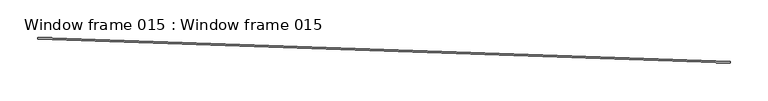
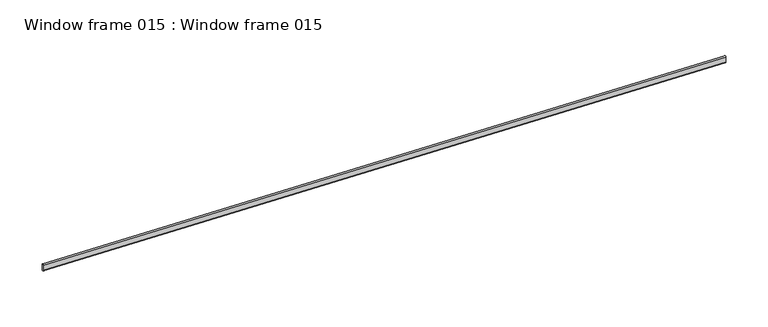
"""IFC4 building model written with IfcOpenShell, lengths in millimetres: proxy geometry, Window frame 015 : Window frame 015."""

import ifcopenshell
import ifcopenshell.guid

model = None  # the IFC model being written
_history = None  # IfcOwnerHistory: only IFC2X3 demands one
_inside = {}  # id of a spatial element -> (the spatial element, [elements in it])
_under = {}  # id of a project, library or spatial element -> (it, [spatial elements below it])
_declared = {}  # id of a project -> (the project, [libraries it declares])
_typed = {}  # id of a type object -> (the type object, [elements of that type])
_made_of = {}  # id of a material, layer set ... -> (it, [elements and type objects made of it])


def new_model(schema):
    """Start an empty IFC model of exactly this schema.

    Asked for "IFC4X3", IfcOpenShell would pick the latest addendum, in which some entities
    have other attributes; the version numbers below select the first issue.
    IFC2X3 requires an IfcOwnerHistory on every rooted entity: one is made here for all.
    """
    global model, _history
    if schema == "IFC4X3":
        model = ifcopenshell.file(schema_version=(4, 3, 0, 0))
    else:
        model = ifcopenshell.file(schema=schema)
    _inside.clear()
    _under.clear()
    _declared.clear()
    _typed.clear()
    _made_of.clear()
    _history = None
    if model.schema == "IFC2X3":
        org = make("IfcOrganization", Name="unknown")
        user = make(
            "IfcPersonAndOrganization",
            ThePerson=make("IfcPerson", FamilyName="unknown"),
            TheOrganization=org,
        )
        app = make(
            "IfcApplication",
            ApplicationDeveloper=org,
            Version="unknown",
            ApplicationFullName="unknown",
            ApplicationIdentifier="unknown",
        )
        _history = make(
            "IfcOwnerHistory",
            OwningUser=user,
            OwningApplication=app,
            ChangeAction="ADDED",
            CreationDate=0,
        )
    return model


def make(cls, **values):
    """One entity of the class cls with the attributes given. An attribute that is None is left unset."""
    return model.create_entity(
        cls, **{name: value for name, value in values.items() if value is not None}
    )


def rooted(cls, **values):
    """An entity with a GlobalId (a new one), such as an element, a storey or a relation."""
    return make(cls, GlobalId=ifcopenshell.guid.new(), OwnerHistory=_history, **values)


def si_unit(unit_type, name, prefix=None):
    """IfcSIUnit, for example si_unit("LENGTHUNIT", "METRE", prefix="MILLI")."""
    return make("IfcSIUnit", UnitType=unit_type, Prefix=prefix, Name=name)


def assignment(units):
    """IfcUnitAssignment: the units of a project."""
    return None if units is None else make("IfcUnitAssignment", Units=units)


def point(xyz):
    """IfcCartesianPoint."""
    return None if xyz is None else make("IfcCartesianPoint", Coordinates=xyz)


def direction(xyz):
    """IfcDirection."""
    return None if xyz is None else make("IfcDirection", DirectionRatios=xyz)


def frame(location, z_axis=None, x_axis=None):
    """IfcAxis2Placement3D, a coordinate frame: its origin and axes. An axis left out is left unset."""
    return make(
        "IfcAxis2Placement3D",
        Location=point(location),
        Axis=direction(z_axis),
        RefDirection=direction(x_axis),
    )


def frame_2d(location, x_axis=None):
    """IfcAxis2Placement2D, a coordinate frame in the plane: its origin and x axis."""
    return make(
        "IfcAxis2Placement2D", Location=point(location), RefDirection=direction(x_axis)
    )


def origin():
    """The frame at (0, 0, 0) with its axes left unset."""
    return frame((0.0, 0.0, 0.0))


def place(relative_to, where):
    """IfcLocalPlacement: puts the frame where relative to a parent placement (None: the world)."""
    return make(
        "IfcLocalPlacement", PlacementRelTo=relative_to, RelativePlacement=where
    )


def context(
    kind, dimensions, precision=None, world=None, true_north=None, identifier=None
):
    """IfcGeometricRepresentationContext, for example the 3D "Model" context."""
    return make(
        "IfcGeometricRepresentationContext",
        ContextIdentifier=identifier,
        ContextType=kind,
        CoordinateSpaceDimension=dimensions,
        Precision=precision,
        WorldCoordinateSystem=world,
        TrueNorth=true_north,
    )


def project(units=None, contexts=None):
    """IfcProject with its units and contexts."""
    return rooted(
        "IfcProject",
        Name="project",
        RepresentationContexts=contexts,
        UnitsInContext=assignment(units),
    )


def spatial(cls, under=None, at=None, **own):
    """A site, building, storey or space (cls), placed at a placement, below another one or the project."""
    s = rooted(cls, ObjectPlacement=at, **own)
    if under is not None:
        _under.setdefault(under.id(), (under, []))[1].append(s)
    return s


def polyline(points):
    """IfcPolyline through the points."""
    return make("IfcPolyline", Points=[point(p) for p in points])


def circle_curve(where, radius):
    """IfcCircle in the frame where."""
    return make("IfcCircle", Position=where, Radius=radius)


def trimmed(basis, trim1, trim2, sense, master):
    """IfcTrimmedCurve: the piece of a basis curve between two trims."""
    return make(
        "IfcTrimmedCurve",
        BasisCurve=basis,
        Trim1=trim1,
        Trim2=trim2,
        SenseAgreement=sense,
        MasterRepresentation=master,
    )


def segment(curve, same_sense, transition):
    """IfcCompositeCurveSegment."""
    return make(
        "IfcCompositeCurveSegment",
        Transition=transition,
        SameSense=same_sense,
        ParentCurve=curve,
    )


def composite_curve(segments, self_intersect=None):
    """IfcCompositeCurve: segments joined end to end."""
    return make("IfcCompositeCurve", Segments=segments, SelfIntersect=self_intersect)


def outline(outer, holes=None, kind="AREA"):
    """IfcArbitraryClosedProfileDef: a profile drawn as a closed curve; with holes, ...WithVoids."""
    if holes is None:
        return make("IfcArbitraryClosedProfileDef", ProfileType=kind, OuterCurve=outer)
    return make(
        "IfcArbitraryProfileDefWithVoids",
        ProfileType=kind,
        OuterCurve=outer,
        InnerCurves=holes,
    )


def extrude(swept, where, along, depth):
    """IfcExtrudedAreaSolid: the profile swept, set in the frame where, extruded along a direction by depth."""
    return make(
        "IfcExtrudedAreaSolid",
        SweptArea=swept,
        Position=where,
        ExtrudedDirection=direction(along),
        Depth=depth,
    )


def shape(context_of_items, identifier, shape_type, items):
    """IfcShapeRepresentation: the items that make up one representation, for example the "Body"."""
    return make(
        "IfcShapeRepresentation",
        ContextOfItems=context_of_items,
        RepresentationIdentifier=identifier,
        RepresentationType=shape_type,
        Items=items,
    )


def source(mapping_origin, context_of_items, identifier, shape_type, items):
    """IfcRepresentationMap: a shape defined once, which mapped items show again and again."""
    return make(
        "IfcRepresentationMap",
        MappingOrigin=mapping_origin,
        MappedRepresentation=shape(context_of_items, identifier, shape_type, items),
    )


def transform(
    local_origin,
    x_axis=None,
    y_axis=None,
    z_axis=None,
    scale=None,
    scale2=None,
    scale3=None,
    uniform=True,
):
    """IfcCartesianTransformationOperator3D, or its non-uniform kind. x_axis, y_axis, z_axis: its Axis1, 2, 3."""
    if uniform:
        return make(
            "IfcCartesianTransformationOperator3D",
            Axis1=direction(x_axis),
            Axis2=direction(y_axis),
            LocalOrigin=point(local_origin),
            Scale=scale,
            Axis3=direction(z_axis),
        )
    return make(
        "IfcCartesianTransformationOperator3DnonUniform",
        Axis1=direction(x_axis),
        Axis2=direction(y_axis),
        LocalOrigin=point(local_origin),
        Scale=scale,
        Axis3=direction(z_axis),
        Scale2=scale2,
        Scale3=scale3,
    )


def mapped(mapping_source, mapping_target):
    """IfcMappedItem: shows the shape of a source again, moved by a transform."""
    return make(
        "IfcMappedItem", MappingSource=mapping_source, MappingTarget=mapping_target
    )


def made_of(thing, what):
    """Note that an element or type object is made of a material, layer set ...; save() writes the relation."""
    if what is not None:
        _made_of.setdefault(what.id(), (what, []))[1].append(thing)
    return thing


def element(
    cls,
    number,
    at=None,
    inside=None,
    cuts=None,
    type_object=None,
    material=None,
    context=None,
    identifier="Body",
    shape_type=None,
    held_by="IfcProductDefinitionShape",
    body=None,
    shapes=None,
    **own,
):
    """One element of the class cls, such as IfcWall. Its Tag is "e" and its number.

    at: its placement. inside: the storey or other place that contains it. cuts: it is an
    opening in that element (IfcRelVoidsElement). A single representation is given by context,
    identifier, shape_type and body (its items); several are given by shapes. held_by: the class
    of the entity that holds the representations. save() writes the other relations.
    """
    e = rooted(cls, Tag="e%d" % number, ObjectPlacement=at, **own)
    if body is not None:
        shapes = [shape(context, identifier, shape_type, body)]
    if shapes is not None:
        e.Representation = make(held_by, Representations=shapes)
    if inside is not None:
        _inside.setdefault(inside.id(), (inside, []))[1].append(e)
    if cuts is not None:
        rooted(
            "IfcRelVoidsElement", RelatingBuildingElement=cuts, RelatedOpeningElement=e
        )
    if type_object is not None:
        _typed.setdefault(type_object.id(), (type_object, []))[1].append(e)
    return made_of(e, material)


def aggregate(whole, parts):
    """IfcRelAggregates: a whole, such as a stair, and the parts it consists of."""
    return rooted("IfcRelAggregates", RelatingObject=whole, RelatedObjects=parts)


def save(model, path):
    """Write the relations noted so far, then the file.

    IfcRelAggregates (storeys below a building ...), IfcRelContainedInSpatialStructure (elements
    in a storey), IfcRelDefinesByType, IfcRelAssociatesMaterial and IfcRelDeclares: one each for
    every whole, place, type object, material and project.
    """
    for whole, parts in _under.values():
        aggregate(whole, parts)
    for where, things in _inside.values():
        rooted(
            "IfcRelContainedInSpatialStructure",
            RelatedElements=things,
            RelatingStructure=where,
        )
    for kind, things in _typed.values():
        rooted("IfcRelDefinesByType", RelatedObjects=things, RelatingType=kind)
    for what, things in _made_of.values():
        rooted("IfcRelAssociatesMaterial", RelatedObjects=things, RelatingMaterial=what)
    for by, libraries in _declared.values():
        rooted("IfcRelDeclares", RelatingContext=by, RelatedDefinitions=libraries)
    model.write(path)


def window_frame_015_window_frame_015_e79017ac(model_context):
    return source(origin(), model_context, "Body", "SweptSolid", [
        extrude(outline(composite_curve([segment(trimmed(circle_curve(frame_2d((0.0, -1.04648)), 1.04648), [point((0.0, 0.0))], [point((0.0, -2.09296))], False, "CARTESIAN"), True, "CONTINUOUS"), segment(polyline([(0.0, -2.09296), (-7.81304, -2.09296)]), True, "CONTINUOUS"), segment(trimmed(circle_curve(frame_2d((-7.81304, -1.04648)), 1.04648), [point((-7.81304, -2.09296))], [point((-7.81304, 0.0))], False, "CARTESIAN"), True, "CONTINUOUS"), segment(polyline([(-7.81304, 0.0), (0.0, 0.0)]), True, "CONTINUOUS")], self_intersect=False)), frame((34355.1136768, -15464.0622403, 2868.9506753), z_axis=(-0.9994149479167626, 0.03420178183274674, 0.0), x_axis=(0.0, 0.0, -1.0)), (0.0, 0.0, 1.0), 914.4),
    ])


if __name__ == "__main__":
    model = new_model("IFC4")
    model_context = context("Model", 3, world=origin())
    ifc_project = project(units=[si_unit("LENGTHUNIT", "METRE", prefix="MILLI")], contexts=[model_context])
    site = spatial("IfcSite", under=ifc_project)
    building = spatial("IfcBuilding", under=site)
    placement = place(None, origin())
    window_frame_015_window_frame_015_shape = window_frame_015_window_frame_015_e79017ac(model_context)
    element("IfcBuildingElementProxy", 1, Name="Window frame 015 : Window frame 015", ObjectType="Window frame 015 : Window frame 015", at=placement, inside=building, context=model_context, shape_type="MappedRepresentation", body=[
        mapped(window_frame_015_window_frame_015_shape, transform((0.0, 0.0, 0.0), x_axis=(1.0, 0.0, 0.0), y_axis=(0.0, 1.0, 0.0), z_axis=(0.0, 0.0, 1.0))),
    ])
    save(model, "model.ifc")
